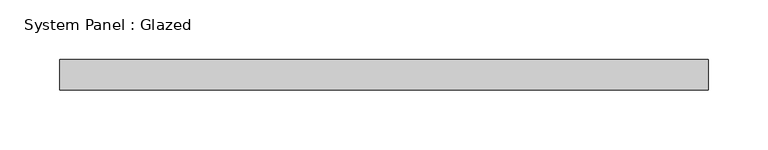
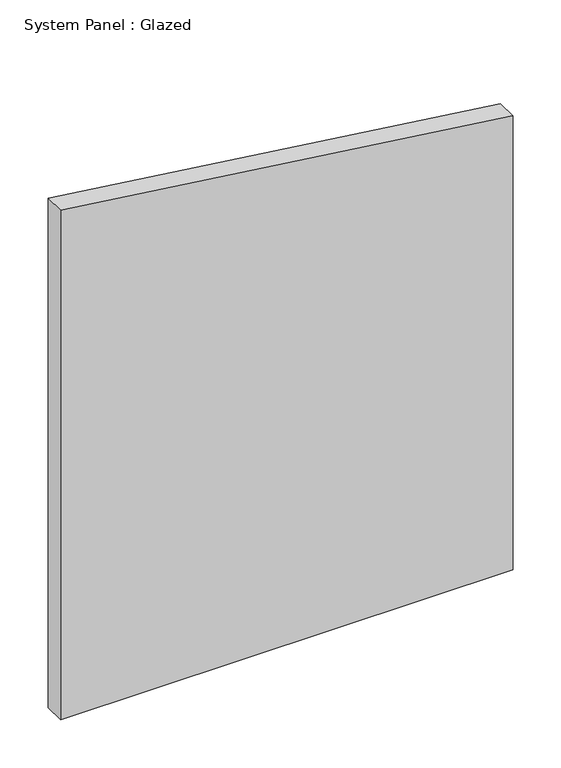
"""IFC4 building model written with IfcOpenShell, lengths in millimetres: plate geometry, System Panel : Glazed."""

from ifc_helpers import new_model, si_unit, frame, origin, place, context, project, spatial, polyline, outline, extrude, source, transform, mapped, element, save


def system_panel_glazed_3dfbb8e0(model_context):
    return source(origin(), model_context, "Body", "SweptSolid", [
        extrude(outline(polyline([(0.0, -270.6316868), (0.0, 270.6316868), (574.071464, 270.6316868), (643.9126281, -270.6316868), (0.0, -270.6316868)])), frame((0.0, 19.05, 0.0), z_axis=(0.0, 1.0, 0.0), x_axis=(0.0, 0.0, 1.0)), (0.0, 0.0, 1.0), 25.4),
    ])


if __name__ == "__main__":
    model = new_model("IFC4")
    model_context = context("Model", 3, world=origin())
    ifc_project = project(units=[si_unit("LENGTHUNIT", "METRE", prefix="MILLI")], contexts=[model_context])
    site = spatial("IfcSite", under=ifc_project)
    building = spatial("IfcBuilding", under=site)
    placement = place(None, origin())
    system_panel_glazed_shape = system_panel_glazed_3dfbb8e0(model_context)
    element("IfcPlate", 1, ObjectType="System Panel : Glazed", at=placement, inside=building, context=model_context, shape_type="MappedRepresentation", body=[
        mapped(system_panel_glazed_shape, transform((0.0, 0.0, 0.0), x_axis=(1.0, 0.0, 0.0), y_axis=(0.0, 1.0, 0.0), z_axis=(0.0, 0.0, 1.0))),
    ])
    save(model, "model.ifc")
